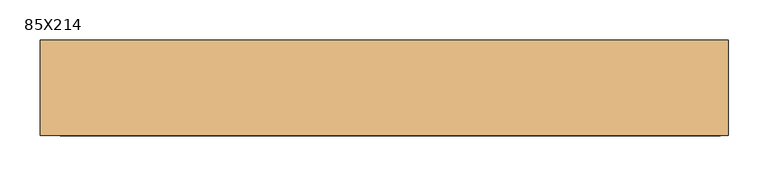
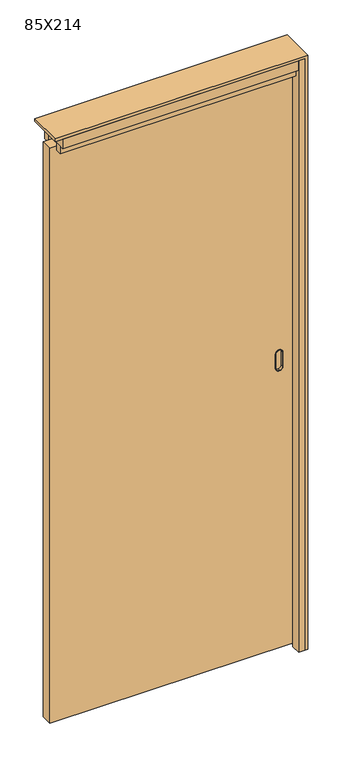
"""IFC4 building model written with IfcOpenShell, lengths in millimetres: door geometry, 85X214."""

from ifc_helpers import new_model, si_unit, point, frame, frame_2d, origin, origin_with_axes, place, context, project, spatial, polyline, circle_curve, trimmed, segment, composite_curve, outline, extrude, source, transform, mapped, element, save
from ifc_brep_helpers import plane_surface, cylinder_surface, revolved_surface, advanced_brep


def door_85x214_07ff6ec3(model_context):
    return source(origin(), model_context, "Body", "SolidModel", [
        advanced_brep(
        [(359.5, 12.0, 1080.5), (348.5, 12.0, 1069.5), (348.5, 12.0, 1018.5), (359.5, 12.0, 1007.5), (360.5, 12.0, 1007.5), (371.5, 12.0, 1018.5), (371.5, 12.0, 1069.5), (360.5, 12.0, 1080.5), (359.5, 22.0, 1006.5), (347.5, 22.0, 1018.5), (347.5, 22.0, 1069.5), (359.5, 22.0, 1081.5), (360.5, 22.0, 1081.5), (372.5, 22.0, 1069.5), (372.5, 22.0, 1018.5), (360.5, 22.0, 1006.5), (359.5, 22.0, 1079.5), (349.5, 22.0, 1069.5), (349.5, 22.0, 1018.5), (359.5, 22.0, 1008.5), (360.5, 22.0, 1008.5), (370.5, 22.0, 1018.5), (370.5, 22.0, 1069.5), (360.5, 22.0, 1079.5), (359.5, 20.0, 1080.5), (348.5, 20.0, 1069.5), (348.5, 20.0, 1018.5), (359.5, 20.0, 1007.5), (360.5, 20.0, 1007.5), (371.5, 20.0, 1018.5), (371.5, 20.0, 1069.5), (360.5, 20.0, 1080.5), (359.5, 20.0, 1006.5), (360.5, 20.0, 1006.5), (372.5, 20.0, 1018.5), (372.5, 20.0, 1069.5), (360.5, 20.0, 1081.5), (359.5, 20.0, 1081.5), (347.5, 20.0, 1069.5), (347.5, 20.0, 1018.5), (359.5, 13.0, 1079.5), (360.5, 13.0, 1079.5), (370.5, 13.0, 1069.5), (370.5, 13.0, 1018.5), (360.5, 13.0, 1008.5), (359.5, 13.0, 1008.5), (349.5, 13.0, 1018.5), (349.5, 13.0, 1069.5)],
        [
            (0, 1, circle_curve(frame((359.5, 12.0, 1069.5), z_axis=(0.0, -1.0, 0.0), x_axis=(-1.0, 0.0, 0.0)), 11.0)),
            (1, 2),
            (2, 3, circle_curve(frame((359.5, 12.0, 1018.5), z_axis=(0.0, -1.0, 0.0), x_axis=(-1.0, 0.0, 0.0)), 11.0)),
            (3, 4),
            (4, 5, circle_curve(frame((360.5, 12.0, 1018.5), z_axis=(0.0, -1.0, 0.0), x_axis=(-1.0, 0.0, 0.0)), 11.0)),
            (5, 6),
            (6, 7, circle_curve(frame((360.5, 12.0, 1069.5), z_axis=(0.0, -1.0, 0.0), x_axis=(-1.0, 0.0, 0.0)), 11.0)),
            (7, 0),
            (8, 9, circle_curve(frame((359.5, 22.0, 1018.5), z_axis=(0.0, 1.0, 0.0), x_axis=(-1.0, 0.0, 0.0)), 12.0)),
            (9, 10),
            (10, 11, circle_curve(frame((359.5, 22.0, 1069.5), z_axis=(0.0, 1.0, 0.0), x_axis=(-1.0, 0.0, 0.0)), 12.0)),
            (11, 12),
            (12, 13, circle_curve(frame((360.5, 22.0, 1069.5), z_axis=(0.0, 1.0, 0.0), x_axis=(-1.0, 0.0, 0.0)), 12.0)),
            (13, 14),
            (14, 15, circle_curve(frame((360.5, 22.0, 1018.5), z_axis=(0.0, 1.0, 0.0), x_axis=(-1.0, 0.0, 0.0)), 12.0)),
            (15, 8),
            (16, 17, circle_curve(frame((359.5, 22.0, 1069.5), z_axis=(0.0, -1.0, 0.0), x_axis=(-1.0, 0.0, 0.0)), 10.0)),
            (17, 18),
            (18, 19, circle_curve(frame((359.5, 22.0, 1018.5), z_axis=(0.0, -1.0, 0.0), x_axis=(-1.0, 0.0, 0.0)), 10.0)),
            (19, 20),
            (20, 21, circle_curve(frame((360.5, 22.0, 1018.5), z_axis=(0.0, -1.0, 0.0), x_axis=(-1.0, 0.0, 0.0)), 10.0)),
            (21, 22),
            (22, 23, circle_curve(frame((360.5, 22.0, 1069.5), z_axis=(0.0, -1.0, 0.0), x_axis=(-1.0, 0.0, 0.0)), 10.0)),
            (23, 16),
            (0, 24),
            (24, 25, circle_curve(frame((359.5, 20.0, 1069.5), z_axis=(0.0, -1.0, 0.0), x_axis=(-1.0, 0.0, 0.0)), 11.0)),
            (25, 1),
            (25, 26),
            (26, 2),
            (26, 27, circle_curve(frame((359.5, 20.0, 1018.5), z_axis=(0.0, -1.0, 0.0), x_axis=(-1.0, 0.0, 0.0)), 11.0)),
            (27, 3),
            (27, 28),
            (28, 4),
            (28, 29, circle_curve(frame((360.5, 20.0, 1018.5), z_axis=(0.0, -1.0, 0.0), x_axis=(-1.0, 0.0, 0.0)), 11.0)),
            (29, 5),
            (29, 30),
            (30, 6),
            (30, 31, circle_curve(frame((360.5, 20.0, 1069.5), z_axis=(0.0, -1.0, 0.0), x_axis=(-1.0, 0.0, 0.0)), 11.0)),
            (31, 7),
            (31, 24),
            (32, 33),
            (33, 34, circle_curve(frame((360.5, 20.0, 1018.5), z_axis=(0.0, -1.0, 0.0), x_axis=(-1.0, 0.0, 0.0)), 12.0)),
            (34, 35),
            (35, 36, circle_curve(frame((360.5, 20.0, 1069.5), z_axis=(0.0, -1.0, 0.0), x_axis=(-1.0, 0.0, 0.0)), 12.0)),
            (36, 37),
            (37, 38, circle_curve(frame((359.5, 20.0, 1069.5), z_axis=(0.0, -1.0, 0.0), x_axis=(-1.0, 0.0, 0.0)), 12.0)),
            (38, 39),
            (39, 32, circle_curve(frame((359.5, 20.0, 1018.5), z_axis=(0.0, -1.0, 0.0), x_axis=(-1.0, 0.0, 0.0)), 12.0)),
            (32, 8),
            (15, 33),
            (14, 34),
            (13, 35),
            (12, 36),
            (11, 37),
            (10, 38),
            (9, 39),
            (40, 41),
            (41, 42, circle_curve(frame((360.5, 13.0, 1069.5), z_axis=(0.0, 1.0, 0.0), x_axis=(-1.0, 0.0, 0.0)), 10.0)),
            (42, 43),
            (43, 44, circle_curve(frame((360.5, 13.0, 1018.5), z_axis=(0.0, 1.0, 0.0), x_axis=(-1.0, 0.0, 0.0)), 10.0)),
            (44, 45),
            (45, 46, circle_curve(frame((359.5, 13.0, 1018.5), z_axis=(0.0, 1.0, 0.0), x_axis=(-1.0, 0.0, 0.0)), 10.0)),
            (46, 47),
            (47, 40, circle_curve(frame((359.5, 13.0, 1069.5), z_axis=(0.0, 1.0, 0.0), x_axis=(-1.0, 0.0, 0.0)), 10.0)),
            (47, 17),
            (16, 40),
            (46, 18),
            (45, 19),
            (44, 20),
            (43, 21),
            (42, 22),
            (41, 23),
        ],
        [
            plane_surface(frame((348.5, 12.0, 1069.5), z_axis=(0.0, -1.0, 0.0), x_axis=(0.0, 0.0, -1.0))),
            plane_surface(frame((348.5, 22.0, 1069.5), z_axis=(0.0, 1.0, 0.0), x_axis=(0.0, 0.0, 1.0))),
            cylinder_surface(frame((359.5, 22.0, 1069.5), z_axis=(0.0, -1.0, 0.0), x_axis=(-1.0, 0.0, 0.0)), 11.0),
            plane_surface(frame((348.5, 12.0, 1069.5), z_axis=(-1.0, 0.0, 0.0), x_axis=(0.0, 1.0, 0.0))),
            cylinder_surface(frame((359.5, 22.0, 1018.5), z_axis=(0.0, -1.0, 0.0), x_axis=(-1.0, 0.0, 0.0)), 11.0),
            plane_surface(frame((359.5, 12.0, 1007.5), z_axis=(0.0, 0.0, -1.0), x_axis=(0.0, 1.0, 0.0))),
            cylinder_surface(frame((360.5, 22.0, 1018.5), z_axis=(0.0, -1.0, 0.0), x_axis=(-1.0, 0.0, 0.0)), 11.0),
            plane_surface(frame((371.5, 12.0, 1018.5), z_axis=(1.0, 0.0, 0.0), x_axis=(0.0, 1.0, 0.0))),
            cylinder_surface(frame((360.5, 22.0, 1069.5), z_axis=(0.0, -1.0, 0.0), x_axis=(-1.0, 0.0, 0.0)), 11.0),
            plane_surface(frame((360.5, 12.0, 1080.5), z_axis=(0.0, 0.0, 1.0), x_axis=(0.0, 1.0, 0.0))),
            plane_surface(frame((372.5, 20.0, 1006.5), z_axis=(0.0, -1.0, 0.0), x_axis=(1.0, 0.0, 0.0))),
            plane_surface(frame((359.5, 20.0, 1006.5), z_axis=(0.0, 0.0, -1.0), x_axis=(0.0, 1.0, 0.0))),
            cylinder_surface(frame((360.5, 22.0, 1018.5), z_axis=(0.0, -1.0, 0.0), x_axis=(-1.0, 0.0, 0.0)), 12.0),
            plane_surface(frame((372.5, 20.0, 1018.5), z_axis=(1.0, 0.0, 0.0), x_axis=(0.0, 1.0, 0.0))),
            cylinder_surface(frame((360.5, 22.0, 1069.5), z_axis=(0.0, -1.0, 0.0), x_axis=(-1.0, 0.0, 0.0)), 12.0),
            plane_surface(frame((360.5, 20.0, 1081.5), z_axis=(0.0, 0.0, 1.0), x_axis=(0.0, 1.0, 0.0))),
            cylinder_surface(frame((359.5, 22.0, 1069.5), z_axis=(0.0, -1.0, 0.0), x_axis=(-1.0, 0.0, 0.0)), 12.0),
            plane_surface(frame((347.5, 20.0, 1069.5), z_axis=(-1.0, 0.0, 0.0), x_axis=(0.0, 1.0, 0.0))),
            cylinder_surface(frame((359.5, 22.0, 1018.5), z_axis=(0.0, -1.0, 0.0), x_axis=(-1.0, 0.0, 0.0)), 12.0),
            plane_surface(frame((349.5, 13.0, 1069.5), z_axis=(0.0, 1.0, 0.0), x_axis=(0.0, 0.0, -1.0))),
            revolved_surface(polyline([(349.5, 13.0, 1069.5), (349.5, 22.0, 1069.5)]), (359.5, 22.0, 1069.5), (0.0, -1.0, 0.0)),
            plane_surface(frame((349.5, 13.0, 1069.5), z_axis=(1.0, 0.0, 0.0), x_axis=(0.0, 1.0, 0.0))),
            revolved_surface(polyline([(349.5, 13.0, 1018.5), (349.5, 22.0, 1018.5)]), (359.5, 22.0, 1018.5), (0.0, -1.0, 0.0)),
            plane_surface(frame((359.5, 13.0, 1008.5), z_axis=(0.0, 0.0, 1.0), x_axis=(0.0, 1.0, 0.0))),
            revolved_surface(polyline([(350.5, 13.0, 1018.5), (350.5, 22.0, 1018.5)]), (360.5, 22.0, 1018.5), (0.0, -1.0, 0.0)),
            plane_surface(frame((370.5, 13.0, 1018.5), z_axis=(-1.0, 0.0, 0.0), x_axis=(0.0, 1.0, 0.0))),
            revolved_surface(polyline([(350.5, 13.0, 1069.5), (350.5, 22.0, 1069.5)]), (360.5, 22.0, 1069.5), (0.0, -1.0, 0.0)),
            plane_surface(frame((360.5, 13.0, 1079.5), z_axis=(0.0, 0.0, -1.0), x_axis=(0.0, 1.0, 0.0))),
        ],
        [
            (0, [[1, 2, 3, 4, 5, 6, 7, 8]]),
            (1, [[9, 10, 11, 12, 13, 14, 15, 16], [17, 18, 19, 20, 21, 22, 23, 24]]),
            (2, [[-1, 25, 26, 27]]),
            (3, [[-2, -27, 28, 29]]),
            (4, [[-3, -29, 30, 31]]),
            (5, [[-4, -31, 32, 33]]),
            (6, [[-5, -33, 34, 35]]),
            (7, [[-6, -35, 36, 37]]),
            (8, [[-7, -37, 38, 39]]),
            (9, [[-8, -39, 40, -25]]),
            (10, [[41, 42, 43, 44, 45, 46, 47, 48], [-26, -40, -38, -36, -34, -32, -30, -28]]),
            (11, [[-41, 49, -16, 50]]),
            (12, [[-42, -50, -15, 51]]),
            (13, [[-43, -51, -14, 52]]),
            (14, [[-44, -52, -13, 53]]),
            (15, [[-45, -53, -12, 54]]),
            (16, [[-46, -54, -11, 55]]),
            (17, [[-47, -55, -10, 56]]),
            (18, [[-48, -56, -9, -49]]),
            (19, [[57, 58, 59, 60, 61, 62, 63, 64]]),
            (20, [[-64, 65, -17, 66]]),
            (21, [[-63, 67, -18, -65]]),
            (22, [[-62, 68, -19, -67]]),
            (23, [[-61, 69, -20, -68]]),
            (24, [[-60, 70, -21, -69]]),
            (25, [[-59, 71, -22, -70]]),
            (26, [[-58, 72, -23, -71]]),
            (27, [[-57, -66, -24, -72]]),
        ],
    ),
        advanced_brep(
        [(359.5, -12.0, 1080.5), (360.5, -12.0, 1080.5), (371.5, -12.0, 1069.5), (371.5, -12.0, 1018.5), (360.5, -12.0, 1007.5), (359.5, -12.0, 1007.5), (348.5, -12.0, 1018.5), (348.5, -12.0, 1069.5), (359.5, -22.0, 1006.5), (360.5, -22.0, 1006.5), (372.5, -22.0, 1018.5), (372.5, -22.0, 1069.5), (360.5, -22.0, 1081.5), (359.5, -22.0, 1081.5), (347.5, -22.0, 1069.5), (347.5, -22.0, 1018.5), (359.5, -22.0, 1079.5), (360.5, -22.0, 1079.5), (370.5, -22.0, 1069.5), (370.5, -22.0, 1018.5), (360.5, -22.0, 1008.5), (359.5, -22.0, 1008.5), (349.5, -22.0, 1018.5), (349.5, -22.0, 1069.5), (348.5, -20.0, 1069.5), (359.5, -20.0, 1080.5), (348.5, -20.0, 1018.5), (359.5, -20.0, 1007.5), (360.5, -20.0, 1007.5), (371.5, -20.0, 1018.5), (371.5, -20.0, 1069.5), (360.5, -20.0, 1080.5), (359.5, -20.0, 1006.5), (347.5, -20.0, 1018.5), (347.5, -20.0, 1069.5), (359.5, -20.0, 1081.5), (360.5, -20.0, 1081.5), (372.5, -20.0, 1069.5), (372.5, -20.0, 1018.5), (360.5, -20.0, 1006.5), (359.5, -13.0, 1079.5), (349.5, -13.0, 1069.5), (349.5, -13.0, 1018.5), (359.5, -13.0, 1008.5), (360.5, -13.0, 1008.5), (370.5, -13.0, 1018.5), (370.5, -13.0, 1069.5), (360.5, -13.0, 1079.5)],
        [
            (0, 1),
            (1, 2, circle_curve(frame((360.5, -12.0, 1069.5), z_axis=(0.0, 1.0, 0.0), x_axis=(-1.0, 0.0, 0.0)), 11.0)),
            (2, 3),
            (3, 4, circle_curve(frame((360.5, -12.0, 1018.5), z_axis=(0.0, 1.0, 0.0), x_axis=(-1.0, 0.0, 0.0)), 11.0)),
            (4, 5),
            (5, 6, circle_curve(frame((359.5, -12.0, 1018.5), z_axis=(0.0, 1.0, 0.0), x_axis=(-1.0, 0.0, 0.0)), 11.0)),
            (6, 7),
            (7, 0, circle_curve(frame((359.5, -12.0, 1069.5), z_axis=(0.0, 1.0, 0.0), x_axis=(-1.0, 0.0, 0.0)), 11.0)),
            (8, 9),
            (9, 10, circle_curve(frame((360.5, -22.0, 1018.5), z_axis=(0.0, -1.0, 0.0), x_axis=(-1.0, 0.0, 0.0)), 12.0)),
            (10, 11),
            (11, 12, circle_curve(frame((360.5, -22.0, 1069.5), z_axis=(0.0, -1.0, 0.0), x_axis=(-1.0, 0.0, 0.0)), 12.0)),
            (12, 13),
            (13, 14, circle_curve(frame((359.5, -22.0, 1069.5), z_axis=(0.0, -1.0, 0.0), x_axis=(-1.0, 0.0, 0.0)), 12.0)),
            (14, 15),
            (15, 8, circle_curve(frame((359.5, -22.0, 1018.5), z_axis=(0.0, -1.0, 0.0), x_axis=(-1.0, 0.0, 0.0)), 12.0)),
            (16, 17),
            (17, 18, circle_curve(frame((360.5, -22.0, 1069.5), z_axis=(0.0, 1.0, 0.0), x_axis=(-1.0, 0.0, 0.0)), 10.0)),
            (18, 19),
            (19, 20, circle_curve(frame((360.5, -22.0, 1018.5), z_axis=(0.0, 1.0, 0.0), x_axis=(-1.0, 0.0, 0.0)), 10.0)),
            (20, 21),
            (21, 22, circle_curve(frame((359.5, -22.0, 1018.5), z_axis=(0.0, 1.0, 0.0), x_axis=(-1.0, 0.0, 0.0)), 10.0)),
            (22, 23),
            (23, 16, circle_curve(frame((359.5, -22.0, 1069.5), z_axis=(0.0, 1.0, 0.0), x_axis=(-1.0, 0.0, 0.0)), 10.0)),
            (7, 24),
            (24, 25, circle_curve(frame((359.5, -20.0, 1069.5), z_axis=(0.0, 1.0, 0.0), x_axis=(-1.0, 0.0, 0.0)), 11.0)),
            (25, 0),
            (6, 26),
            (26, 24),
            (5, 27),
            (27, 26, circle_curve(frame((359.5, -20.0, 1018.5), z_axis=(0.0, 1.0, 0.0), x_axis=(-1.0, 0.0, 0.0)), 11.0)),
            (4, 28),
            (28, 27),
            (3, 29),
            (29, 28, circle_curve(frame((360.5, -20.0, 1018.5), z_axis=(0.0, 1.0, 0.0), x_axis=(-1.0, 0.0, 0.0)), 11.0)),
            (2, 30),
            (30, 29),
            (1, 31),
            (31, 30, circle_curve(frame((360.5, -20.0, 1069.5), z_axis=(0.0, 1.0, 0.0), x_axis=(-1.0, 0.0, 0.0)), 11.0)),
            (25, 31),
            (32, 33, circle_curve(frame((359.5, -20.0, 1018.5), z_axis=(0.0, 1.0, 0.0), x_axis=(-1.0, 0.0, 0.0)), 12.0)),
            (33, 34),
            (34, 35, circle_curve(frame((359.5, -20.0, 1069.5), z_axis=(0.0, 1.0, 0.0), x_axis=(-1.0, 0.0, 0.0)), 12.0)),
            (35, 36),
            (36, 37, circle_curve(frame((360.5, -20.0, 1069.5), z_axis=(0.0, 1.0, 0.0), x_axis=(-1.0, 0.0, 0.0)), 12.0)),
            (37, 38),
            (38, 39, circle_curve(frame((360.5, -20.0, 1018.5), z_axis=(0.0, 1.0, 0.0), x_axis=(-1.0, 0.0, 0.0)), 12.0)),
            (39, 32),
            (39, 9),
            (8, 32),
            (38, 10),
            (37, 11),
            (36, 12),
            (35, 13),
            (34, 14),
            (33, 15),
            (40, 41, circle_curve(frame((359.5, -13.0, 1069.5), z_axis=(0.0, -1.0, 0.0), x_axis=(-1.0, 0.0, 0.0)), 10.0)),
            (41, 42),
            (42, 43, circle_curve(frame((359.5, -13.0, 1018.5), z_axis=(0.0, -1.0, 0.0), x_axis=(-1.0, 0.0, 0.0)), 10.0)),
            (43, 44),
            (44, 45, circle_curve(frame((360.5, -13.0, 1018.5), z_axis=(0.0, -1.0, 0.0), x_axis=(-1.0, 0.0, 0.0)), 10.0)),
            (45, 46),
            (46, 47, circle_curve(frame((360.5, -13.0, 1069.5), z_axis=(0.0, -1.0, 0.0), x_axis=(-1.0, 0.0, 0.0)), 10.0)),
            (47, 40),
            (40, 16),
            (23, 41),
            (22, 42),
            (21, 43),
            (20, 44),
            (19, 45),
            (18, 46),
            (17, 47),
        ],
        [
            plane_surface(frame((348.5, -12.0, 1069.5), z_axis=(0.0, 1.0, 0.0), x_axis=(0.0, 0.0, -1.0))),
            plane_surface(frame((348.5, -22.0, 1069.5), z_axis=(0.0, -1.0, 0.0), x_axis=(0.0, 0.0, 1.0))),
            cylinder_surface(frame((359.5, -22.0, 1069.5), z_axis=(0.0, 1.0, 0.0), x_axis=(-1.0, 0.0, 0.0)), 11.0),
            plane_surface(frame((348.5, -12.0, 1069.5), z_axis=(-1.0, 0.0, 0.0), x_axis=(0.0, -1.0, 0.0))),
            cylinder_surface(frame((359.5, -22.0, 1018.5), z_axis=(0.0, 1.0, 0.0), x_axis=(-1.0, 0.0, 0.0)), 11.0),
            plane_surface(frame((359.5, -12.0, 1007.5), z_axis=(0.0, 0.0, -1.0), x_axis=(0.0, -1.0, 0.0))),
            cylinder_surface(frame((360.5, -22.0, 1018.5), z_axis=(0.0, 1.0, 0.0), x_axis=(-1.0, 0.0, 0.0)), 11.0),
            plane_surface(frame((371.5, -12.0, 1018.5), z_axis=(1.0, 0.0, 0.0), x_axis=(0.0, -1.0, 0.0))),
            cylinder_surface(frame((360.5, -22.0, 1069.5), z_axis=(0.0, 1.0, 0.0), x_axis=(-1.0, 0.0, 0.0)), 11.0),
            plane_surface(frame((360.5, -12.0, 1080.5), z_axis=(0.0, 0.0, 1.0), x_axis=(0.0, -1.0, 0.0))),
            plane_surface(frame((372.5, -20.0, 1006.5), z_axis=(0.0, 1.0, 0.0), x_axis=(1.0, 0.0, 0.0))),
            plane_surface(frame((359.5, -20.0, 1006.5), z_axis=(0.0, 0.0, -1.0), x_axis=(0.0, -1.0, 0.0))),
            cylinder_surface(frame((360.5, -22.0, 1018.5), z_axis=(0.0, 1.0, 0.0), x_axis=(-1.0, 0.0, 0.0)), 12.0),
            plane_surface(frame((372.5, -20.0, 1018.5), z_axis=(1.0, 0.0, 0.0), x_axis=(0.0, -1.0, 0.0))),
            cylinder_surface(frame((360.5, -22.0, 1069.5), z_axis=(0.0, 1.0, 0.0), x_axis=(-1.0, 0.0, 0.0)), 12.0),
            plane_surface(frame((360.5, -20.0, 1081.5), z_axis=(0.0, 0.0, 1.0), x_axis=(0.0, -1.0, 0.0))),
            cylinder_surface(frame((359.5, -22.0, 1069.5), z_axis=(0.0, 1.0, 0.0), x_axis=(-1.0, 0.0, 0.0)), 12.0),
            plane_surface(frame((347.5, -20.0, 1069.5), z_axis=(-1.0, 0.0, 0.0), x_axis=(0.0, -1.0, 0.0))),
            cylinder_surface(frame((359.5, -22.0, 1018.5), z_axis=(0.0, 1.0, 0.0), x_axis=(-1.0, 0.0, 0.0)), 12.0),
            plane_surface(frame((349.5, -13.0, 1069.5), z_axis=(0.0, -1.0, 0.0), x_axis=(0.0, 0.0, -1.0))),
            revolved_surface(polyline([(349.5, -13.0, 1069.5), (349.5, -22.0, 1069.5)]), (359.5, -22.0, 1069.5), (0.0, 1.0, 0.0)),
            plane_surface(frame((349.5, -13.0, 1069.5), z_axis=(1.0, 0.0, 0.0), x_axis=(0.0, -1.0, 0.0))),
            revolved_surface(polyline([(349.5, -13.0, 1018.5), (349.5, -22.0, 1018.5)]), (359.5, -22.0, 1018.5), (0.0, 1.0, 0.0)),
            plane_surface(frame((359.5, -13.0, 1008.5), z_axis=(0.0, 0.0, 1.0), x_axis=(0.0, -1.0, 0.0))),
            revolved_surface(polyline([(350.5, -13.0, 1018.5), (350.5, -22.0, 1018.5)]), (360.5, -22.0, 1018.5), (0.0, 1.0, 0.0)),
            plane_surface(frame((370.5, -13.0, 1018.5), z_axis=(-1.0, 0.0, 0.0), x_axis=(0.0, -1.0, 0.0))),
            revolved_surface(polyline([(350.5, -13.0, 1069.5), (350.5, -22.0, 1069.5)]), (360.5, -22.0, 1069.5), (0.0, 1.0, 0.0)),
            plane_surface(frame((360.5, -13.0, 1079.5), z_axis=(0.0, 0.0, -1.0), x_axis=(0.0, -1.0, 0.0))),
        ],
        [
            (0, [[1, 2, 3, 4, 5, 6, 7, 8]]),
            (1, [[9, 10, 11, 12, 13, 14, 15, 16], [17, 18, 19, 20, 21, 22, 23, 24]]),
            (2, [[25, 26, 27, -8]]),
            (3, [[28, 29, -25, -7]]),
            (4, [[30, 31, -28, -6]]),
            (5, [[32, 33, -30, -5]]),
            (6, [[34, 35, -32, -4]]),
            (7, [[36, 37, -34, -3]]),
            (8, [[38, 39, -36, -2]]),
            (9, [[-27, 40, -38, -1]]),
            (10, [[41, 42, 43, 44, 45, 46, 47, 48], [-29, -31, -33, -35, -37, -39, -40, -26]]),
            (11, [[49, -9, 50, -48]]),
            (12, [[51, -10, -49, -47]]),
            (13, [[52, -11, -51, -46]]),
            (14, [[53, -12, -52, -45]]),
            (15, [[54, -13, -53, -44]]),
            (16, [[55, -14, -54, -43]]),
            (17, [[56, -15, -55, -42]]),
            (18, [[-50, -16, -56, -41]]),
            (19, [[57, 58, 59, 60, 61, 62, 63, 64]]),
            (20, [[65, -24, 66, -57]]),
            (21, [[-66, -23, 67, -58]]),
            (22, [[-67, -22, 68, -59]]),
            (23, [[-68, -21, 69, -60]]),
            (24, [[-69, -20, 70, -61]]),
            (25, [[-70, -19, 71, -62]]),
            (26, [[-71, -18, 72, -63]]),
            (27, [[-72, -17, -65, -64]]),
        ],
    ),
        extrude(outline(polyline([(2079.0, -420.0), (9.0, -420.0), (9.0, 410.0), (2079.0, 410.0), (2079.0, -420.0)]), holes=[composite_curve([segment(polyline([(1080.0, 359.0), (1080.0, 361.0)]), True, "CONTINUOUS"), segment(trimmed(circle_curve(frame_2d((1070.0, 361.0)), 10.0), [point((1080.0, 361.0))], [point((1070.0, 371.0))], True, "CARTESIAN"), True, "CONTINUOUS"), segment(polyline([(1070.0, 371.0), (1018.0, 371.0)]), True, "CONTINUOUS"), segment(trimmed(circle_curve(frame_2d((1018.0, 361.0)), 10.0), [point((1018.0, 371.0))], [point((1008.0, 361.0))], True, "CARTESIAN"), True, "CONTINUOUS"), segment(polyline([(1008.0, 361.0), (1008.0, 359.0)]), True, "CONTINUOUS"), segment(trimmed(circle_curve(frame_2d((1018.0, 359.0)), 10.0), [point((1008.0, 359.0))], [point((1018.0, 349.0))], True, "CARTESIAN"), True, "CONTINUOUS"), segment(polyline([(1018.0, 349.0), (1070.0, 349.0)]), True, "CONTINUOUS"), segment(trimmed(circle_curve(frame_2d((1070.0, 359.0)), 10.0), [point((1070.0, 349.0))], [point((1080.0, 359.0))], True, "CARTESIAN"), True, "CONTINUOUS")], self_intersect=False)]), frame((0.0, -20.0, 0.0), z_axis=(0.0, 1.0, 0.0), x_axis=(0.0, 0.0, 1.0)), (0.0, 0.0, 1.0), 40.0),
        extrude(outline(polyline([(425.0, 60.0), (425.0, -60.0), (404.0, -60.0), (404.0, -25.0), (410.0, -25.0), (410.0, 25.0), (404.0, 25.0), (404.0, 60.0), (425.0, 60.0)])), origin_with_axes(), (0.0, 0.0, 1.0), 2130.0),
        extrude(outline(polyline([(2130.0, -425.0), (2130.0, 425.0), (0.0, 425.0), (0.0, 435.0), (2140.0, 435.0), (2140.0, -425.0), (2130.0, -425.0)])), frame((0.0, -60.0, 0.0), z_axis=(0.0, 1.0, 0.0), x_axis=(0.0, 0.0, 1.0)), (0.0, 0.0, 1.0), 120.0),
        extrude(outline(polyline([(404.0, 25.0), (-400.0, 25.0), (-400.0, 45.0), (404.0, 45.0), (404.0, 25.0)])), frame((0.0, 0.0, 2068.0), z_axis=(0.0, 0.0, 1.0), x_axis=(1.0, 0.0, 0.0)), (0.0, 0.0, 1.0), 28.0),
        extrude(outline(polyline([(404.0, -45.0), (-400.0, -45.0), (-400.0, -25.0), (404.0, -25.0), (404.0, -45.0)])), frame((0.0, 0.0, 2068.0), z_axis=(0.0, 0.0, 1.0), x_axis=(1.0, 0.0, 0.0)), (0.0, 0.0, 1.0), 28.0),
        extrude(outline(polyline([(404.0, 16.0), (-400.0, 16.0), (-400.0, 60.0), (404.0, 60.0), (404.0, 16.0)])), frame((0.0, 0.0, 2096.0), z_axis=(0.0, 0.0, 1.0), x_axis=(1.0, 0.0, 0.0)), (0.0, 0.0, 1.0), 34.0),
        extrude(outline(polyline([(404.0, -60.0), (-400.0, -60.0), (-400.0, -16.0), (404.0, -16.0), (404.0, -60.0)])), frame((0.0, 0.0, 2096.0), z_axis=(0.0, 0.0, 1.0), x_axis=(1.0, 0.0, 0.0)), (0.0, 0.0, 1.0), 34.0),
    ])


if __name__ == "__main__":
    model = new_model("IFC4")
    model_context = context("Model", 3, world=origin())
    ifc_project = project(units=[si_unit("LENGTHUNIT", "METRE", prefix="MILLI")], contexts=[model_context])
    site = spatial("IfcSite", under=ifc_project)
    building = spatial("IfcBuilding", under=site)
    placement = place(None, origin())
    door_85x214_shape = door_85x214_07ff6ec3(model_context)
    element("IfcDoor", 1, ObjectType="85X214", at=placement, inside=building, context=model_context, shape_type="MappedRepresentation", body=[
        mapped(door_85x214_shape, transform((0.0, 0.0, 0.0), x_axis=(1.0, 0.0, 0.0), y_axis=(0.0, 1.0, 0.0), z_axis=(0.0, 0.0, 1.0))),
    ])
    save(model, "model.ifc")
